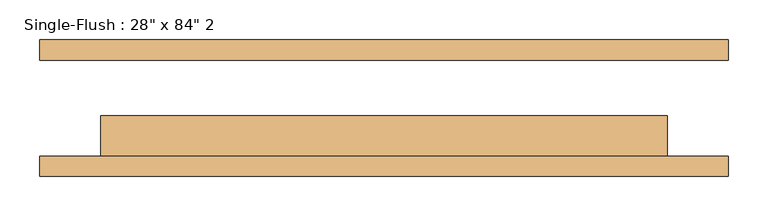
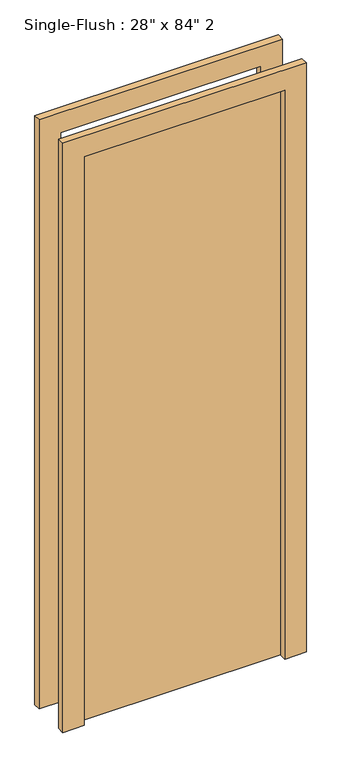
"""IFC4 building model written with IfcOpenShell, lengths in millimetres: door geometry."""

from ifc_helpers import new_model, si_unit, frame, origin, origin_with_axes, place, context, project, spatial, polyline, outline, extrude, source, transform, mapped, element, save


def door_d0bee241(model_context):
    return source(origin(), model_context, "Body", "SweptSolid", [
        extrude(outline(polyline([(2209.8, -431.8), (0.0, -431.8), (0.0, -355.6), (2133.6, -355.6), (2133.6, 355.6), (0.0, 355.6), (0.0, 431.8), (2209.8, 431.8), (2209.8, -431.8)])), frame((0.0, -85.725, 0.0), z_axis=(0.0, 1.0, 0.0), x_axis=(0.0, 0.0, 1.0)), (0.0, 0.0, 1.0), 25.4),
        extrude(outline(polyline([(2209.8, 431.8), (2209.8, -431.8), (0.0, -431.8), (0.0, -355.6), (2133.6, -355.6), (2133.6, 355.6), (0.0, 355.6), (0.0, 431.8), (2209.8, 431.8)])), frame((0.0, 60.325, 0.0), z_axis=(0.0, 1.0, 0.0), x_axis=(0.0, 0.0, 1.0)), (0.0, 0.0, 1.0), 25.4),
        extrude(outline(polyline([(355.6, -9.525), (355.6, -60.325), (-355.6, -60.325), (-355.6, -9.525), (355.6, -9.525)])), origin_with_axes(), (0.0, 0.0, 1.0), 2133.6),
    ])


if __name__ == "__main__":
    model = new_model("IFC4")
    model_context = context("Model", 3, world=origin())
    ifc_project = project(units=[si_unit("LENGTHUNIT", "METRE", prefix="MILLI")], contexts=[model_context])
    site = spatial("IfcSite", under=ifc_project)
    building = spatial("IfcBuilding", under=site)
    placement = place(None, origin())
    door_shape = door_d0bee241(model_context)
    element("IfcDoor", 1, ObjectType="Single-Flush : 28\" x 84\" 2", at=placement, inside=building, context=model_context, shape_type="MappedRepresentation", body=[
        mapped(door_shape, transform((0.0, 0.0, 0.0), x_axis=(1.0, 0.0, 0.0), y_axis=(0.0, 1.0, 0.0), z_axis=(0.0, 0.0, 1.0))),
    ])
    save(model, "model.ifc")
